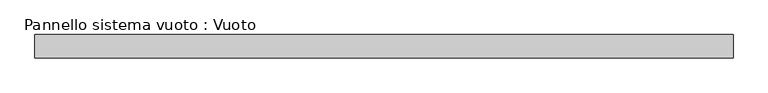
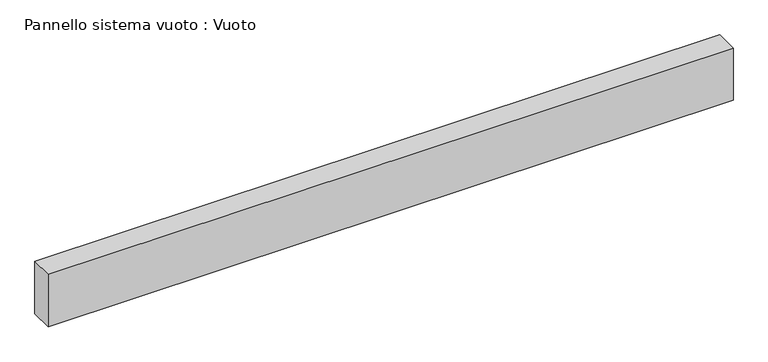
"""IFC4 building model written with IfcOpenShell, lengths in millimetres: plate geometry, Pannello sistema vuoto : Vuoto."""

from ifc_helpers import new_model, si_unit, origin, origin_with_axes, place, context, project, spatial, polyline, outline, extrude, source, transform, mapped, element, save


def pannello_sistema_vuoto_vuoto_352835ad(model_context):
    return source(origin(), model_context, "Body", "SweptSolid", [
        extrude(outline(polyline([(1500.0, -50.0), (-1500.0, -50.0), (-1500.0, 50.0), (1500.0, 50.0), (1500.0, -50.0)])), origin_with_axes(), (0.0, 0.0, 1.0), 242.9527477),
    ])


if __name__ == "__main__":
    model = new_model("IFC4")
    model_context = context("Model", 3, world=origin())
    ifc_project = project(units=[si_unit("LENGTHUNIT", "METRE", prefix="MILLI")], contexts=[model_context])
    site = spatial("IfcSite", under=ifc_project)
    building = spatial("IfcBuilding", under=site)
    placement = place(None, origin())
    pannello_sistema_vuoto_vuoto_shape = pannello_sistema_vuoto_vuoto_352835ad(model_context)
    element("IfcPlate", 1, ObjectType="Pannello sistema vuoto : Vuoto", at=placement, inside=building, context=model_context, shape_type="MappedRepresentation", body=[
        mapped(pannello_sistema_vuoto_vuoto_shape, transform((0.0, 0.0, 0.0), x_axis=(1.0, 0.0, 0.0), y_axis=(0.0, 1.0, 0.0), z_axis=(0.0, 0.0, 1.0))),
    ])
    save(model, "model.ifc")
